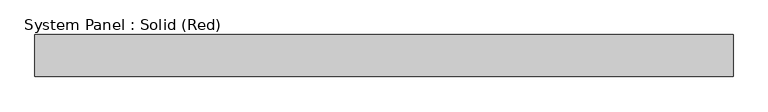
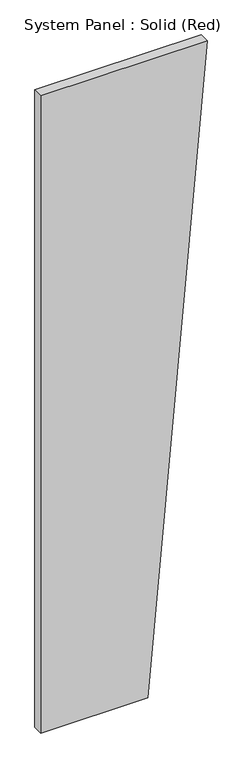
"""IFC4 building model written with IfcOpenShell, lengths in millimetres: plate geometry, System Panel : Solid (Red)."""

from ifc_helpers import new_model, si_unit, frame, origin, place, context, project, spatial, polyline, outline, extrude, source, transform, mapped, element, save


def system_panel_solid_red_bb0490e8(model_context):
    return source(origin(), model_context, "Body", "SweptSolid", [
        extrude(outline(polyline([(0.0, -526.7157893), (0.0, 152.3999998), (4267.2, 526.7157893), (4267.2, -526.7157893), (0.0, -526.7157893)])), frame((0.0, -19.05, 0.0), z_axis=(0.0, 1.0, 0.0), x_axis=(0.0, 0.0, 1.0)), (0.0, 0.0, 1.0), 63.5),
    ])


if __name__ == "__main__":
    model = new_model("IFC4")
    model_context = context("Model", 3, world=origin())
    ifc_project = project(units=[si_unit("LENGTHUNIT", "METRE", prefix="MILLI")], contexts=[model_context])
    site = spatial("IfcSite", under=ifc_project)
    building = spatial("IfcBuilding", under=site)
    placement = place(None, origin())
    system_panel_solid_red_shape = system_panel_solid_red_bb0490e8(model_context)
    element("IfcPlate", 1, ObjectType="System Panel : Solid (Red)", at=placement, inside=building, context=model_context, shape_type="MappedRepresentation", body=[
        mapped(system_panel_solid_red_shape, transform((0.0, 0.0, 0.0), x_axis=(1.0, 0.0, 0.0), y_axis=(0.0, 1.0, 0.0), z_axis=(0.0, 0.0, 1.0))),
    ])
    save(model, "model.ifc")
